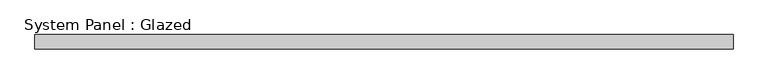
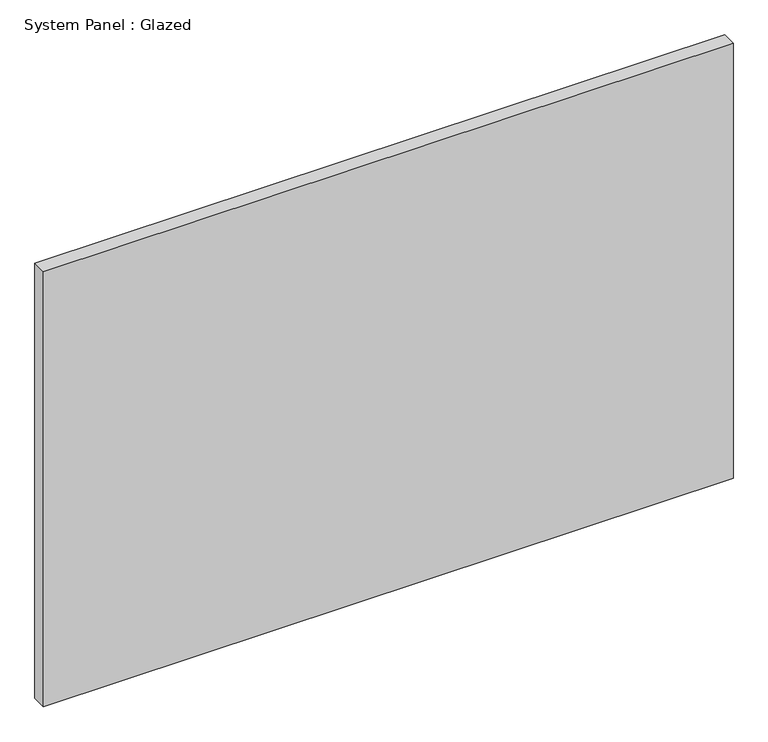
"""IFC4 building model written with IfcOpenShell, lengths in millimetres: plate geometry, System Panel : Glazed."""

from ifc_helpers import new_model, si_unit, origin, origin_with_axes, place, context, project, spatial, polyline, outline, extrude, source, transform, mapped, element, save


def system_panel_glazed_72c1caa5(model_context):
    return source(origin(), model_context, "Body", "SweptSolid", [
        extrude(outline(polyline([(600.0, -22.5), (-600.0, -22.5), (-600.0, 2.5), (600.0, 2.5), (600.0, -22.5)])), origin_with_axes(), (0.0, 0.0, 1.0), 800.0),
    ])


if __name__ == "__main__":
    model = new_model("IFC4")
    model_context = context("Model", 3, world=origin())
    ifc_project = project(units=[si_unit("LENGTHUNIT", "METRE", prefix="MILLI")], contexts=[model_context])
    site = spatial("IfcSite", under=ifc_project)
    building = spatial("IfcBuilding", under=site)
    placement = place(None, origin())
    system_panel_glazed_shape = system_panel_glazed_72c1caa5(model_context)
    element("IfcPlate", 1, ObjectType="System Panel : Glazed", at=placement, inside=building, context=model_context, shape_type="MappedRepresentation", body=[
        mapped(system_panel_glazed_shape, transform((0.0, 0.0, 0.0), x_axis=(1.0, 0.0, 0.0), y_axis=(0.0, 1.0, 0.0), z_axis=(0.0, 0.0, 1.0))),
    ])
    save(model, "model.ifc")
